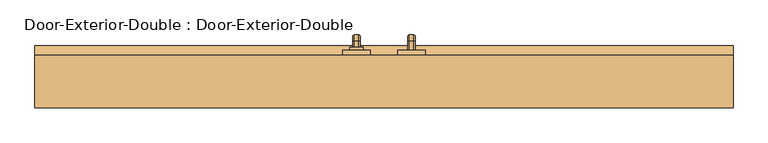
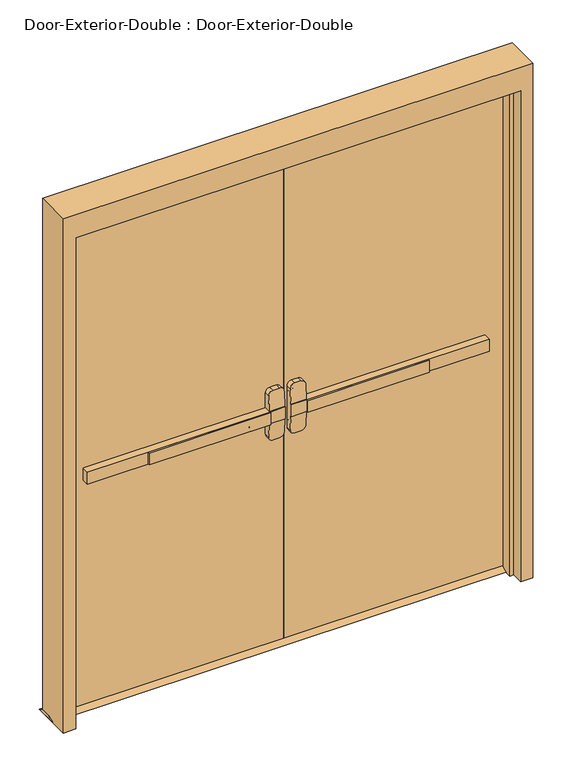
"""IFC4 building model written with IfcOpenShell, lengths in millimetres: door geometry, Door-Exterior-Double : Door-Exterior-Double."""

from ifc_helpers import new_model, si_unit, point, frame, frame_2d, origin, place, context, project, spatial, polyline, circle_curve, ellipse_curve, trimmed, segment, composite_curve, outline, extrude, faceted_brep, source, transform, mapped, element, save
from ifc_brep_helpers import plane_surface, cylinder_surface, revolved_surface, advanced_brep


def door_exterior_double_door_exterior_double_2e0d63db(model_context):
    return source(origin(), model_context, "Body", "SolidModel", [
        extrude(outline(polyline([(-575.7333333, 0.0), (-575.7333333, 6.35), (-76.2, 6.35), (-76.2, 0.0), (-575.7333333, 0.0)])), frame((0.0, 0.0, 990.6), z_axis=(0.0, 0.0, 1.0), x_axis=(1.0, 0.0, 0.0)), (0.0, 0.0, 1.0), 50.8),
        advanced_brep(
        [(-12.7, 6.35, 1041.4), (-76.2, 6.35, 1041.4), (-825.5, 6.35, 1041.4), (-825.5, 6.35, 990.6), (-76.2, 6.35, 990.6), (-12.7, 6.35, 990.6), (-825.5, 38.1, 1041.4), (-76.2, 38.1, 1041.4), (-76.2, 38.1, 1104.9), (-57.15, 38.1, 1123.95), (-31.75, 38.1, 1123.95), (-12.7, 38.1, 1104.9), (-12.7, 38.1, 927.1), (-31.75, 38.1, 908.05), (-57.15, 38.1, 908.05), (-76.2, 38.1, 927.1), (-76.2, 38.1, 990.6), (-825.5, 38.1, 990.6), (-12.7, 9.5252467, 1041.4), (-76.2, 9.5252467, 1041.4), (-12.7, 9.5252467, 990.6), (-12.7, 14.5354269, 927.1), (-12.7, 14.5354269, 1104.9), (-76.2, 9.5252467, 990.6), (-76.2, 14.5354269, 1104.9), (-76.2, 14.5354269, 927.1), (-57.15, 16.038481, 1123.95), (-31.75, 16.038481, 1123.95), (-31.75, 16.038481, 908.05), (-57.15, 16.038481, 908.05)],
        [
            (0, 1),
            (1, 2),
            (2, 3),
            (3, 4),
            (4, 5),
            (5, 0),
            (6, 7),
            (7, 8),
            (8, 9, circle_curve(frame((-57.15, 38.1, 1104.9), z_axis=(0.0, 1.0, 0.0), x_axis=(-1.0, 0.0, 0.0)), 19.05)),
            (9, 10),
            (10, 11, circle_curve(frame((-31.75, 38.1, 1104.9), z_axis=(0.0, 1.0, 0.0), x_axis=(-1.0, 0.0, 0.0)), 19.05)),
            (11, 12),
            (12, 13, circle_curve(frame((-31.75, 38.1, 927.1), z_axis=(0.0, 1.0, 0.0), x_axis=(-1.0, 0.0, 0.0)), 19.05)),
            (13, 14),
            (14, 15, circle_curve(frame((-57.15, 38.1, 927.1), z_axis=(0.0, 1.0, 0.0), x_axis=(-1.0, 0.0, 0.0)), 19.05)),
            (15, 16),
            (16, 17),
            (17, 6),
            (0, 18),
            (18, 19),
            (19, 7),
            (6, 2),
            (5, 20),
            (20, 21),
            (21, 12),
            (11, 22),
            (22, 18),
            (16, 23),
            (23, 20),
            (3, 17),
            (19, 24),
            (24, 8),
            (15, 25),
            (25, 23),
            (9, 26),
            (26, 27),
            (27, 10),
            (13, 28),
            (28, 29),
            (29, 14),
            (29, 25, ellipse_curve(frame((-57.15, 14.5354269, 927.1), z_axis=(0.0, 0.9969018152893365, 0.07865602756830282), x_axis=(0.0, -0.07865602756830208, 0.9969018152893365)), 19.1092038, 19.05)),
            (24, 26, ellipse_curve(frame((-57.15, 14.5354269, 1104.9), z_axis=(0.0, 0.9969018152893376, -0.07865602756828934), x_axis=(0.0, -0.078656027568288, -0.9969018152893377)), 19.1092038, 19.05)),
            (27, 22, ellipse_curve(frame((-31.75, 14.5354269, 1104.9), z_axis=(0.0, 0.9969018152893376, -0.07865602756828934), x_axis=(0.0, -0.078656027568288, -0.9969018152893377)), 19.1092038, 19.05)),
            (21, 28, ellipse_curve(frame((-31.75, 14.5354269, 927.1), z_axis=(0.0, 0.9969018152893365, 0.07865602756830282), x_axis=(0.0, -0.07865602756830208, 0.9969018152893365)), 19.1092038, 19.05)),
        ],
        [
            plane_surface(frame((-12.7, 6.35, 1041.4), z_axis=(0.0, -1.0, 0.0), x_axis=(1.0, 0.0, 0.0))),
            plane_surface(frame((-12.7, 38.1, 1041.4), z_axis=(0.0, 1.0, 0.0), x_axis=(-1.0, 0.0, 0.0))),
            plane_surface(frame((-825.5, 6.35, 1041.4), z_axis=(0.0, 0.0, 1.0), x_axis=(0.0, 1.0, 0.0))),
            plane_surface(frame((-12.7, 6.35, 1041.4), z_axis=(1.0, 0.0, 0.0), x_axis=(0.0, 1.0, 0.0))),
            plane_surface(frame((-12.7, 6.35, 990.6), z_axis=(0.0, 0.0, -1.0), x_axis=(0.0, 1.0, 0.0))),
            plane_surface(frame((-825.5, 6.35, 990.6), z_axis=(-1.0, 0.0, 0.0), x_axis=(0.0, 1.0, 0.0))),
            plane_surface(frame((-76.2, 9.5252467, 927.1), z_axis=(-1.0, 0.0, 0.0), x_axis=(0.0, 1.0, 0.0))),
            plane_surface(frame((-57.15, 9.5252467, 1123.95), z_axis=(0.0, 0.0, 1.0), x_axis=(0.0, 1.0, 0.0))),
            plane_surface(frame((-31.75, 9.5252467, 908.05), z_axis=(0.0, 0.0, -1.0), x_axis=(0.0, 1.0, 0.0))),
            cylinder_surface(frame((-57.15, 38.1, 927.1), z_axis=(0.0, -1.0, 0.0), x_axis=(-1.0, 0.0, 0.0)), 19.05),
            cylinder_surface(frame((-57.15, 38.1, 1104.9), z_axis=(0.0, -1.0, 0.0), x_axis=(-1.0, 0.0, 0.0)), 19.05),
            cylinder_surface(frame((-31.75, 38.1, 1104.9), z_axis=(0.0, -1.0, 0.0), x_axis=(-1.0, 0.0, 0.0)), 19.05),
            cylinder_surface(frame((-31.75, 38.1, 927.1), z_axis=(0.0, -1.0, 0.0), x_axis=(-1.0, 0.0, 0.0)), 19.05),
            plane_surface(frame((-76.2, 9.5252467, 1041.4), z_axis=(0.0, -0.9969018152893376, 0.07865602756828934), x_axis=(1.0, 0.0, 0.0))),
            plane_surface(frame((-76.2, 16.038481, 908.05), z_axis=(0.0, -0.9969018152893365, -0.07865602756830282), x_axis=(1.0, 0.0, 0.0))),
        ],
        [
            (0, [[1, 2, 3, 4, 5, 6]]),
            (1, [[7, 8, 9, 10, 11, 12, 13, 14, 15, 16, 17, 18]]),
            (2, [[-2, -1, 19, 20, 21, -7, 22]]),
            (3, [[23, 24, 25, -12, 26, 27, -19, -6]]),
            (4, [[-17, 28, 29, -23, -5, -4, 30]]),
            (5, [[-22, -18, -30, -3]]),
            (6, [[-21, 31, 32, -8]]),
            (6, [[33, 34, -28, -16]]),
            (7, [[35, 36, 37, -10]]),
            (8, [[38, 39, 40, -14]]),
            (9, [[-40, 41, -33, -15]]),
            (10, [[-32, 42, -35, -9]]),
            (11, [[-37, 43, -26, -11]]),
            (12, [[-25, 44, -38, -13]]),
            (13, [[-27, -43, -36, -42, -31, -20]]),
            (14, [[-29, -34, -41, -39, -44, -24]]),
        ],
    ),
        extrude(outline(polyline([(82.55, 12.7), (107.95, 0.0), (12.7, 0.0), (38.1, 12.7), (82.55, 12.7)])), frame((-965.2, 0.0, 0.0), z_axis=(1.0, 0.0, 0.0), x_axis=(0.0, 1.0, 0.0)), (0.0, 0.0, 1.0), 1930.4),
        extrude(outline(polyline([(575.7333333, 0.0), (76.2, 0.0), (76.2, 6.35), (575.7333333, 6.35), (575.7333333, 0.0)])), frame((0.0, 0.0, 990.6), z_axis=(0.0, 0.0, 1.0), x_axis=(1.0, 0.0, 0.0)), (0.0, 0.0, 1.0), 50.8),
        advanced_brep(
        [(12.7, 6.35, 1041.4), (12.7, 6.35, 990.6), (76.2, 6.35, 990.6), (825.5, 6.35, 990.6), (825.5, 6.35, 1041.4), (76.2, 6.35, 1041.4), (825.5, 38.1, 1041.4), (825.5, 38.1, 990.6), (76.2, 38.1, 990.6), (76.2, 38.1, 927.1), (57.15, 38.1, 908.05), (31.75, 38.1, 908.05), (12.7, 38.1, 927.1), (12.7, 38.1, 1104.9), (31.75, 38.1, 1123.95), (57.15, 38.1, 1123.95), (76.2, 38.1, 1104.9), (76.2, 38.1, 1041.4), (76.2, 9.5252467, 1041.4), (12.7, 9.5252467, 1041.4), (12.7, 14.5354269, 1104.9), (12.7, 14.5354269, 927.1), (12.7, 9.5252467, 990.6), (76.2, 9.5252467, 990.6), (76.2, 14.5354269, 927.1), (76.2, 14.5354269, 1104.9), (31.75, 16.038481, 1123.95), (57.15, 16.038481, 1123.95), (57.15, 16.038481, 908.05), (31.75, 16.038481, 908.05)],
        [
            (0, 1),
            (1, 2),
            (2, 3),
            (3, 4),
            (4, 5),
            (5, 0),
            (6, 7),
            (7, 8),
            (8, 9),
            (9, 10, circle_curve(frame((57.15, 38.1, 927.1), z_axis=(0.0, 1.0, 0.0), x_axis=(1.0, 0.0, 0.0)), 19.05)),
            (10, 11),
            (11, 12, circle_curve(frame((31.75, 38.1, 927.1), z_axis=(0.0, 1.0, 0.0), x_axis=(1.0, 0.0, 0.0)), 19.05)),
            (12, 13),
            (13, 14, circle_curve(frame((31.75, 38.1, 1104.9), z_axis=(0.0, 1.0, 0.0), x_axis=(1.0, 0.0, 0.0)), 19.05)),
            (14, 15),
            (15, 16, circle_curve(frame((57.15, 38.1, 1104.9), z_axis=(0.0, 1.0, 0.0), x_axis=(1.0, 0.0, 0.0)), 19.05)),
            (16, 17),
            (17, 6),
            (4, 6),
            (17, 18),
            (18, 19),
            (19, 0),
            (19, 20),
            (20, 13),
            (12, 21),
            (21, 22),
            (22, 1),
            (7, 3),
            (22, 23),
            (23, 8),
            (23, 24),
            (24, 9),
            (16, 25),
            (25, 18),
            (14, 26),
            (26, 27),
            (27, 15),
            (10, 28),
            (28, 29),
            (29, 11),
            (24, 28, ellipse_curve(frame((57.15, 14.5354269, 927.1), z_axis=(0.0, 0.9969018152893365, 0.07865602756830282), x_axis=(0.0, -0.07865602756830208, 0.9969018152893365)), 19.1092038, 19.05)),
            (27, 25, ellipse_curve(frame((57.15, 14.5354269, 1104.9), z_axis=(0.0, 0.9969018152893376, -0.07865602756828934), x_axis=(0.0, -0.078656027568288, -0.9969018152893377)), 19.1092038, 19.05)),
            (20, 26, ellipse_curve(frame((31.75, 14.5354269, 1104.9), z_axis=(0.0, 0.9969018152893376, -0.07865602756828934), x_axis=(0.0, -0.078656027568288, -0.9969018152893377)), 19.1092038, 19.05)),
            (29, 21, ellipse_curve(frame((31.75, 14.5354269, 927.1), z_axis=(0.0, 0.9969018152893365, 0.07865602756830282), x_axis=(0.0, -0.07865602756830208, 0.9969018152893365)), 19.1092038, 19.05)),
        ],
        [
            plane_surface(frame((12.7, 6.35, 1041.4), z_axis=(0.0, -1.0, 0.0), x_axis=(-1.0, 0.0, 0.0))),
            plane_surface(frame((12.7, 38.1, 1041.4), z_axis=(0.0, 1.0, 0.0), x_axis=(1.0, 0.0, 0.0))),
            plane_surface(frame((825.5, 6.35, 1041.4), z_axis=(0.0, 0.0, 1.0), x_axis=(0.0, 1.0, 0.0))),
            plane_surface(frame((12.7, 6.35, 1041.4), z_axis=(-1.0, 0.0, 0.0), x_axis=(0.0, 1.0, 0.0))),
            plane_surface(frame((12.7, 6.35, 990.6), z_axis=(0.0, 0.0, -1.0), x_axis=(0.0, 1.0, 0.0))),
            plane_surface(frame((825.5, 6.35, 990.6), z_axis=(1.0, 0.0, 0.0), x_axis=(0.0, 1.0, 0.0))),
            plane_surface(frame((76.2, 9.5252467, 927.1), z_axis=(1.0, 0.0, 0.0), x_axis=(0.0, 1.0, 0.0))),
            plane_surface(frame((57.15, 9.5252467, 1123.95), z_axis=(0.0, 0.0, 1.0), x_axis=(0.0, 1.0, 0.0))),
            plane_surface(frame((31.75, 9.5252467, 908.05), z_axis=(0.0, 0.0, -1.0), x_axis=(0.0, 1.0, 0.0))),
            cylinder_surface(frame((57.15, 38.1, 927.1), z_axis=(0.0, -1.0, 0.0), x_axis=(1.0, 0.0, 0.0)), 19.05),
            cylinder_surface(frame((57.15, 38.1, 1104.9), z_axis=(0.0, -1.0, 0.0), x_axis=(1.0, 0.0, 0.0)), 19.05),
            cylinder_surface(frame((31.75, 38.1, 1104.9), z_axis=(0.0, -1.0, 0.0), x_axis=(1.0, 0.0, 0.0)), 19.05),
            cylinder_surface(frame((31.75, 38.1, 927.1), z_axis=(0.0, -1.0, 0.0), x_axis=(1.0, 0.0, 0.0)), 19.05),
            plane_surface(frame((76.2, 9.5252467, 1041.4), z_axis=(0.0, -0.9969018152893376, 0.07865602756828934), x_axis=(-1.0, 0.0, 0.0))),
            plane_surface(frame((76.2, 16.038481, 908.05), z_axis=(0.0, -0.9969018152893365, -0.07865602756830282), x_axis=(-1.0, 0.0, 0.0))),
        ],
        [
            (0, [[1, 2, 3, 4, 5, 6]]),
            (1, [[7, 8, 9, 10, 11, 12, 13, 14, 15, 16, 17, 18]]),
            (2, [[19, -18, 20, 21, 22, -6, -5]]),
            (3, [[-1, -22, 23, 24, -13, 25, 26, 27]]),
            (4, [[28, -3, -2, -27, 29, 30, -8]]),
            (5, [[-4, -28, -7, -19]]),
            (6, [[-9, -30, 31, 32]]),
            (6, [[-17, 33, 34, -20]]),
            (7, [[-15, 35, 36, 37]]),
            (8, [[-11, 38, 39, 40]]),
            (9, [[-10, -32, 41, -38]]),
            (10, [[-16, -37, 42, -33]]),
            (11, [[-14, -24, 43, -35]]),
            (12, [[-12, -40, 44, -25]]),
            (13, [[-21, -34, -42, -36, -43, -23]]),
            (14, [[-26, -44, -39, -41, -31, -29]]),
        ],
    ),
        advanced_brep(
        [(66.2, 95.25, 1017.190625), (66.2, 95.25, 1014.809375), (69.771875, 95.25, 1011.2375), (82.6284594, 95.25, 1011.2375), (86.2, 95.25, 1014.8090406), (86.2, 95.25, 1017.190625), (82.628125, 95.25, 1020.7625), (69.771875, 95.25, 1020.7625), (66.2, 95.25, 887.809375), (69.771875, 95.25, 884.2375), (82.628125, 95.25, 884.2375), (86.2, 95.25, 887.809375), (86.2, 95.25, 890.1909594), (82.6284594, 95.25, 893.7625), (69.771875, 95.25, 893.7625), (66.2, 95.25, 890.190625), (66.2, 120.65, 1017.190625), (66.2, 134.540625, 1003.3), (66.2, 134.540625, 901.7), (66.2, 120.65, 887.809375), (66.2, 120.65, 890.190625), (66.2, 132.159375, 901.7), (66.2, 132.159375, 1003.3), (66.2, 120.65, 1014.809375), (69.771875, 120.65, 1011.2375), (82.6284594, 120.65, 1011.2375), (86.2, 120.65, 1014.8090406), (86.2, 132.1590406, 1003.3), (86.2, 132.1590406, 901.7), (86.2, 120.65, 890.1909594), (86.2, 120.65, 887.809375), (86.2, 134.540625, 901.7), (86.2, 134.540625, 1003.3), (86.2, 120.65, 1017.190625), (82.628125, 120.65, 1020.7625), (69.771875, 120.65, 1020.7625), (69.771875, 128.5875, 1003.3), (82.6284594, 128.5875, 1003.3), (82.628125, 138.1125, 1003.3), (69.771875, 138.1125, 1003.3), (69.771875, 128.5875, 901.7), (82.6284594, 128.5875, 901.7), (82.628125, 138.1125, 901.7), (69.771875, 138.1125, 901.7), (69.771875, 120.65, 893.7625), (82.6284594, 120.65, 893.7625), (82.628125, 120.65, 884.2375), (69.771875, 120.65, 884.2375)],
        [
            (0, 1),
            (1, 2, circle_curve(frame((69.771875, 95.25, 1014.809375), z_axis=(0.0, -1.0, 0.0), x_axis=(0.0, 0.0, 1.0)), 3.571875)),
            (2, 3),
            (3, 4, circle_curve(frame((82.6284594, 95.25, 1014.8090406), z_axis=(0.0, -1.0, 0.0), x_axis=(0.0, 0.0, 1.0)), 3.5715406)),
            (4, 5),
            (5, 6, circle_curve(frame((82.628125, 95.25, 1017.190625), z_axis=(0.0, -1.0, 0.0), x_axis=(0.0, 0.0, 1.0)), 3.571875)),
            (6, 7),
            (7, 0, circle_curve(frame((69.771875, 95.25, 1017.190625), z_axis=(0.0, -1.0, 0.0), x_axis=(0.0, 0.0, 1.0)), 3.571875)),
            (8, 9, circle_curve(frame((69.771875, 95.25, 887.809375), z_axis=(0.0, -1.0, 0.0), x_axis=(0.0, 0.0, -1.0)), 3.571875)),
            (9, 10),
            (10, 11, circle_curve(frame((82.628125, 95.25, 887.809375), z_axis=(0.0, -1.0, 0.0), x_axis=(0.0, 0.0, -1.0)), 3.571875)),
            (11, 12),
            (12, 13, circle_curve(frame((82.6284594, 95.25, 890.1909594), z_axis=(0.0, -1.0, 0.0), x_axis=(0.0, 0.0, -1.0)), 3.5715406)),
            (13, 14),
            (14, 15, circle_curve(frame((69.771875, 95.25, 890.190625), z_axis=(0.0, -1.0, 0.0), x_axis=(0.0, 0.0, -1.0)), 3.571875)),
            (15, 8),
            (0, 16),
            (16, 17, circle_curve(frame((66.2, 120.65, 1003.3), z_axis=(-1.0, 0.0, 0.0), x_axis=(0.0, 0.0, 1.0)), 13.890625)),
            (17, 18),
            (18, 19, circle_curve(frame((66.2, 120.65, 901.7), z_axis=(-1.0, 0.0, 0.0), x_axis=(0.0, 1.0, 0.0)), 13.890625)),
            (19, 8),
            (15, 20),
            (20, 21, circle_curve(frame((66.2, 120.65, 901.7), z_axis=(1.0, 0.0, 0.0), x_axis=(0.0, 1.0, 0.0)), 11.509375)),
            (21, 22),
            (22, 23, circle_curve(frame((66.2, 120.65, 1003.3), z_axis=(1.0, 0.0, 0.0), x_axis=(0.0, 0.0, 1.0)), 11.509375)),
            (23, 1),
            (23, 24, circle_curve(frame((69.771875, 120.65, 1014.809375), z_axis=(0.0, -1.0, 0.0), x_axis=(0.0, 0.0, 1.0)), 3.571875)),
            (24, 2),
            (24, 25),
            (25, 3),
            (25, 26, circle_curve(frame((82.6284594, 120.65, 1014.8090406), z_axis=(0.0, -1.0, 0.0), x_axis=(0.0, 0.0, 1.0)), 3.5715406)),
            (26, 4),
            (26, 27, circle_curve(frame((86.2, 120.65, 1003.3), z_axis=(-1.0, 0.0, 0.0), x_axis=(0.0, 0.0, 1.0)), 11.5090406)),
            (27, 28),
            (28, 29, circle_curve(frame((86.2, 120.65, 901.7), z_axis=(-1.0, 0.0, 0.0), x_axis=(0.0, 1.0, 0.0)), 11.5090406)),
            (29, 12),
            (11, 30),
            (30, 31, circle_curve(frame((86.2, 120.65, 901.7), z_axis=(1.0, 0.0, 0.0), x_axis=(0.0, 1.0, 0.0)), 13.890625)),
            (31, 32),
            (32, 33, circle_curve(frame((86.2, 120.65, 1003.3), z_axis=(1.0, 0.0, 0.0), x_axis=(0.0, 0.0, 1.0)), 13.890625)),
            (33, 5),
            (33, 34, circle_curve(frame((82.628125, 120.65, 1017.190625), z_axis=(0.0, -1.0, 0.0), x_axis=(0.0, 0.0, 1.0)), 3.571875)),
            (34, 6),
            (34, 35),
            (35, 7),
            (35, 16, circle_curve(frame((69.771875, 120.65, 1017.190625), z_axis=(0.0, -1.0, 0.0), x_axis=(0.0, 0.0, 1.0)), 3.571875)),
            (36, 24, circle_curve(frame((69.771875, 120.65, 1003.3), z_axis=(1.0, 0.0, 0.0), x_axis=(0.0, 0.0, 1.0)), 7.9375)),
            (22, 36, circle_curve(frame((69.771875, 132.159375, 1003.3), z_axis=(0.0, 0.0, 1.0), x_axis=(0.0, 1.0, 0.0)), 3.571875)),
            (37, 25, circle_curve(frame((82.6284594, 120.65, 1003.3), z_axis=(1.0, 0.0, 0.0), x_axis=(0.0, 0.0, 1.0)), 7.9375)),
            (36, 37),
            (37, 27, circle_curve(frame((82.6284594, 132.1590406, 1003.3), z_axis=(0.0, 0.0, 1.0), x_axis=(0.0, 1.0, 0.0)), 3.5715406)),
            (38, 34, circle_curve(frame((82.628125, 120.65, 1003.3), z_axis=(1.0, 0.0, 0.0), x_axis=(0.0, 0.0, 1.0)), 17.4625)),
            (32, 38, circle_curve(frame((82.628125, 134.540625, 1003.3), z_axis=(0.0, 0.0, 1.0), x_axis=(0.0, 1.0, 0.0)), 3.571875)),
            (39, 35, circle_curve(frame((69.771875, 120.65, 1003.3), z_axis=(1.0, 0.0, 0.0), x_axis=(0.0, 0.0, 1.0)), 17.4625)),
            (38, 39),
            (39, 17, circle_curve(frame((69.771875, 134.540625, 1003.3), z_axis=(0.0, 0.0, 1.0), x_axis=(0.0, 1.0, 0.0)), 3.571875)),
            (21, 40, circle_curve(frame((69.771875, 132.159375, 901.7), z_axis=(0.0, 0.0, 1.0), x_axis=(0.0, 1.0, 0.0)), 3.571875)),
            (40, 36),
            (40, 41),
            (41, 37),
            (41, 28, circle_curve(frame((82.6284594, 132.1590406, 901.7), z_axis=(0.0, 0.0, 1.0), x_axis=(0.0, 1.0, 0.0)), 3.5715406)),
            (31, 42, circle_curve(frame((82.628125, 134.540625, 901.7), z_axis=(0.0, 0.0, 1.0), x_axis=(0.0, 1.0, 0.0)), 3.571875)),
            (42, 38),
            (42, 43),
            (43, 39),
            (43, 18, circle_curve(frame((69.771875, 134.540625, 901.7), z_axis=(0.0, 0.0, 1.0), x_axis=(0.0, 1.0, 0.0)), 3.571875)),
            (44, 40, circle_curve(frame((69.771875, 120.65, 901.7), z_axis=(1.0, 0.0, 0.0), x_axis=(0.0, 1.0, 0.0)), 7.9375)),
            (20, 44, circle_curve(frame((69.771875, 120.65, 890.190625), z_axis=(0.0, 1.0, 0.0), x_axis=(0.0, 0.0, -1.0)), 3.571875)),
            (45, 41, circle_curve(frame((82.6284594, 120.65, 901.7), z_axis=(1.0, 0.0, 0.0), x_axis=(0.0, 1.0, 0.0)), 7.9375)),
            (44, 45),
            (45, 29, circle_curve(frame((82.6284594, 120.65, 890.1909594), z_axis=(0.0, 1.0, 0.0), x_axis=(0.0, 0.0, -1.0)), 3.5715406)),
            (46, 42, circle_curve(frame((82.628125, 120.65, 901.7), z_axis=(1.0, 0.0, 0.0), x_axis=(0.0, 1.0, 0.0)), 17.4625)),
            (30, 46, circle_curve(frame((82.628125, 120.65, 887.809375), z_axis=(0.0, 1.0, 0.0), x_axis=(0.0, 0.0, -1.0)), 3.571875)),
            (47, 43, circle_curve(frame((69.771875, 120.65, 901.7), z_axis=(1.0, 0.0, 0.0), x_axis=(0.0, 1.0, 0.0)), 17.4625)),
            (46, 47),
            (47, 19, circle_curve(frame((69.771875, 120.65, 887.809375), z_axis=(0.0, 1.0, 0.0), x_axis=(0.0, 0.0, -1.0)), 3.571875)),
            (14, 44),
            (13, 45),
            (10, 46),
            (9, 47),
        ],
        [
            plane_surface(frame((76.2, 95.25, 1016.0), z_axis=(0.0, -1.0, 0.0), x_axis=(1.0, 0.0, 0.0))),
            plane_surface(frame((76.2, 95.25, 889.0), z_axis=(0.0, -1.0, 0.0), x_axis=(1.0, 0.0, 0.0))),
            plane_surface(frame((66.2, 95.25, 1017.190625), z_axis=(-1.0, 0.0, 0.0), x_axis=(0.0, 1.0, 0.0))),
            cylinder_surface(frame((69.771875, 95.25, 1014.809375), z_axis=(0.0, -1.0, 0.0), x_axis=(0.0, 0.0, 1.0)), 3.571875),
            plane_surface(frame((69.771875, 95.25, 1011.2375), z_axis=(0.0, 0.0, -1.0), x_axis=(0.0, 1.0, 0.0))),
            cylinder_surface(frame((82.6284594, 95.25, 1014.8090406), z_axis=(0.0, -1.0, 0.0), x_axis=(0.0, 0.0, 1.0)), 3.5715406),
            plane_surface(frame((86.2, 95.25, 1014.8090406), z_axis=(1.0, 0.0, 0.0), x_axis=(0.0, 1.0, 0.0))),
            cylinder_surface(frame((82.628125, 95.25, 1017.190625), z_axis=(0.0, -1.0, 0.0), x_axis=(0.0, 0.0, 1.0)), 3.571875),
            plane_surface(frame((82.628125, 95.25, 1020.7625), z_axis=(0.0, 0.0, 1.0), x_axis=(0.0, 1.0, 0.0))),
            cylinder_surface(frame((69.771875, 95.25, 1017.190625), z_axis=(0.0, -1.0, 0.0), x_axis=(0.0, 0.0, 1.0)), 3.571875),
            revolved_surface(trimmed(ellipse_curve(frame((69.771875, 120.65, 1014.809375), z_axis=(0.0, -1.0, 0.0), x_axis=(0.0, 0.0, 1.0)), 3.571875, 3.571875), [point((66.2, 120.65, 1014.809375))], [point((69.771875, 120.65, 1011.2375))], True, "CARTESIAN"), (76.2, 120.65, 1003.3), (-1.0, 0.0, 0.0)),
            revolved_surface(polyline([(69.771875, 120.65, 1011.2375), (82.6284594, 120.65, 1011.2375)]), (76.2, 120.65, 1003.3), (-1.0, 0.0, 0.0)),
            revolved_surface(trimmed(ellipse_curve(frame((82.6284594, 120.65, 1014.8090406), z_axis=(0.0, -1.0, 0.0), x_axis=(0.0, 0.0, 1.0)), 3.5715406, 3.5715406), [point((82.6284594, 120.65, 1011.2375))], [point((86.2, 120.65, 1014.8090406))], True, "CARTESIAN"), (76.2, 120.65, 1003.3), (-1.0, 0.0, 0.0)),
            revolved_surface(trimmed(ellipse_curve(frame((82.628125, 120.65, 1017.190625), z_axis=(0.0, -1.0, 0.0), x_axis=(0.0, 0.0, 1.0)), 3.571875, 3.571875), [point((86.2, 120.65, 1017.190625))], [point((82.628125, 120.65, 1020.7625))], True, "CARTESIAN"), (76.2, 120.65, 1003.3), (-1.0, 0.0, 0.0)),
            cylinder_surface(frame((76.2, 120.65, 1003.3), z_axis=(-1.0, 0.0, 0.0), x_axis=(0.0, 0.0, 1.0)), 17.4625),
            revolved_surface(trimmed(ellipse_curve(frame((69.771875, 120.65, 1017.190625), z_axis=(0.0, -1.0, 0.0), x_axis=(0.0, 0.0, 1.0)), 3.571875, 3.571875), [point((69.771875, 120.65, 1020.7625))], [point((66.2, 120.65, 1017.190625))], True, "CARTESIAN"), (76.2, 120.65, 1003.3), (-1.0, 0.0, 0.0)),
            cylinder_surface(frame((69.771875, 132.159375, 1003.3), z_axis=(0.0, 0.0, 1.0), x_axis=(0.0, 1.0, 0.0)), 3.571875),
            plane_surface(frame((69.771875, 128.5875, 1003.3), z_axis=(0.0, -1.0, 0.0), x_axis=(0.0, 0.0, -1.0))),
            cylinder_surface(frame((82.6284594, 132.1590406, 1003.3), z_axis=(0.0, 0.0, 1.0), x_axis=(0.0, 1.0, 0.0)), 3.5715406),
            cylinder_surface(frame((82.628125, 134.540625, 1003.3), z_axis=(0.0, 0.0, 1.0), x_axis=(0.0, 1.0, 0.0)), 3.571875),
            plane_surface(frame((82.628125, 138.1125, 1003.3), z_axis=(0.0, 1.0, 0.0), x_axis=(0.0, 0.0, -1.0))),
            cylinder_surface(frame((69.771875, 134.540625, 1003.3), z_axis=(0.0, 0.0, 1.0), x_axis=(0.0, 1.0, 0.0)), 3.571875),
            revolved_surface(trimmed(ellipse_curve(frame((69.771875, 132.159375, 901.7), z_axis=(0.0, 0.0, 1.0), x_axis=(0.0, 1.0, 0.0)), 3.571875, 3.571875), [point((66.2, 132.159375, 901.7))], [point((69.771875, 128.5875, 901.7))], True, "CARTESIAN"), (76.2, 120.65, 901.7), (-1.0, 0.0, 0.0)),
            revolved_surface(polyline([(69.771875, 128.5875, 901.7), (82.6284594, 128.5875, 901.7)]), (76.2, 120.65, 901.7), (-1.0, 0.0, 0.0)),
            revolved_surface(trimmed(ellipse_curve(frame((82.6284594, 132.1590406, 901.7), z_axis=(0.0, 0.0, 1.0), x_axis=(0.0, 1.0, 0.0)), 3.5715406, 3.5715406), [point((82.6284594, 128.5875, 901.7))], [point((86.2, 132.1590406, 901.7))], True, "CARTESIAN"), (76.2, 120.65, 901.7), (-1.0, 0.0, 0.0)),
            revolved_surface(trimmed(ellipse_curve(frame((82.628125, 134.540625, 901.7), z_axis=(0.0, 0.0, 1.0), x_axis=(0.0, 1.0, 0.0)), 3.571875, 3.571875), [point((86.2, 134.540625, 901.7))], [point((82.628125, 138.1125, 901.7))], True, "CARTESIAN"), (76.2, 120.65, 901.7), (-1.0, 0.0, 0.0)),
            cylinder_surface(frame((76.2, 120.65, 901.7), z_axis=(-1.0, 0.0, 0.0), x_axis=(0.0, 1.0, 0.0)), 17.4625),
            revolved_surface(trimmed(ellipse_curve(frame((69.771875, 134.540625, 901.7), z_axis=(0.0, 0.0, 1.0), x_axis=(0.0, 1.0, 0.0)), 3.571875, 3.571875), [point((69.771875, 138.1125, 901.7))], [point((66.2, 134.540625, 901.7))], True, "CARTESIAN"), (76.2, 120.65, 901.7), (-1.0, 0.0, 0.0)),
            cylinder_surface(frame((69.771875, 120.65, 890.190625), z_axis=(0.0, 1.0, 0.0), x_axis=(0.0, 0.0, -1.0)), 3.571875),
            plane_surface(frame((69.771875, 120.65, 893.7625), z_axis=(0.0, 0.0, 1.0), x_axis=(0.0, -1.0, 0.0))),
            cylinder_surface(frame((82.6284594, 120.65, 890.1909594), z_axis=(0.0, 1.0, 0.0), x_axis=(0.0, 0.0, -1.0)), 3.5715406),
            cylinder_surface(frame((82.628125, 120.65, 887.809375), z_axis=(0.0, 1.0, 0.0), x_axis=(0.0, 0.0, -1.0)), 3.571875),
            plane_surface(frame((82.628125, 120.65, 884.2375), z_axis=(0.0, 0.0, -1.0), x_axis=(0.0, -1.0, 0.0))),
            cylinder_surface(frame((69.771875, 120.65, 887.809375), z_axis=(0.0, 1.0, 0.0), x_axis=(0.0, 0.0, -1.0)), 3.571875),
        ],
        [
            (0, [[1, 2, 3, 4, 5, 6, 7, 8]]),
            (1, [[9, 10, 11, 12, 13, 14, 15, 16]]),
            (2, [[-1, 17, 18, 19, 20, 21, -16, 22, 23, 24, 25, 26]]),
            (3, [[-2, -26, 27, 28]]),
            (4, [[-3, -28, 29, 30]]),
            (5, [[-4, -30, 31, 32]]),
            (6, [[-5, -32, 33, 34, 35, 36, -12, 37, 38, 39, 40, 41]]),
            (7, [[-6, -41, 42, 43]]),
            (8, [[-7, -43, 44, 45]]),
            (9, [[-8, -45, 46, -17]]),
            (10, [[47, -27, -25, 48]]),
            (11, [[49, -29, -47, 50]]),
            (12, [[-33, -31, -49, 51]]),
            (13, [[52, -42, -40, 53]]),
            (14, [[54, -44, -52, 55]]),
            (15, [[-18, -46, -54, 56]]),
            (16, [[-48, -24, 57, 58]]),
            (17, [[-50, -58, 59, 60]]),
            (18, [[-51, -60, 61, -34]]),
            (19, [[-53, -39, 62, 63]]),
            (20, [[-55, -63, 64, 65]]),
            (21, [[-56, -65, 66, -19]]),
            (22, [[67, -57, -23, 68]]),
            (23, [[69, -59, -67, 70]]),
            (24, [[-35, -61, -69, 71]]),
            (25, [[72, -62, -38, 73]]),
            (26, [[74, -64, -72, 75]]),
            (27, [[-20, -66, -74, 76]]),
            (28, [[-68, -22, -15, 77]]),
            (29, [[-70, -77, -14, 78]]),
            (30, [[-71, -78, -13, -36]]),
            (31, [[-73, -37, -11, 79]]),
            (32, [[-75, -79, -10, 80]]),
            (33, [[-76, -80, -9, -21]]),
        ],
    ),
        extrude(outline(composite_curve([segment(trimmed(circle_curve(frame_2d((1113.0338574, 76.2)), 89.3016225), [point((1193.8, 114.3))], [point((1193.8, 38.1))], False, "CARTESIAN"), True, "CONTINUOUS"), segment(polyline([(1193.8, 38.1), (838.2, 38.1)]), True, "CONTINUOUS"), segment(trimmed(circle_curve(frame_2d((918.9661426, 76.2)), 89.3016225), [point((838.2, 38.1))], [point((838.2, 114.3))], False, "CARTESIAN"), True, "CONTINUOUS"), segment(polyline([(838.2, 114.3), (1193.8, 114.3)]), True, "CONTINUOUS")], self_intersect=False)), frame((0.0, 82.55, 0.0), z_axis=(0.0, 1.0, 0.0), x_axis=(0.0, 0.0, 1.0)), (0.0, 0.0, 1.0), 12.7),
        advanced_brep(
        [(-86.2, 95.25, 1017.190625), (-86.2, 95.25, 1014.809375), (-82.628125, 95.25, 1011.2375), (-69.7715406, 95.25, 1011.2375), (-66.2, 95.25, 1014.8090406), (-66.2, 95.25, 1017.190625), (-69.771875, 95.25, 1020.7625), (-82.628125, 95.25, 1020.7625), (-86.2, 95.25, 887.809375), (-82.628125, 95.25, 884.2375), (-69.771875, 95.25, 884.2375), (-66.2, 95.25, 887.809375), (-66.2, 95.25, 890.1909594), (-69.7715406, 95.25, 893.7625), (-82.628125, 95.25, 893.7625), (-86.2, 95.25, 890.190625), (-86.2, 120.65, 1017.190625), (-86.2, 134.540625, 1003.3), (-86.2, 134.540625, 901.7), (-86.2, 120.65, 887.809375), (-86.2, 120.65, 890.190625), (-86.2, 132.159375, 901.7), (-86.2, 132.159375, 1003.3), (-86.2, 120.65, 1014.809375), (-82.628125, 120.65, 1011.2375), (-69.7715406, 120.65, 1011.2375), (-66.2, 120.65, 1014.8090406), (-66.2, 132.1590406, 1003.3), (-66.2, 132.1590406, 901.7), (-66.2, 120.65, 890.1909594), (-66.2, 120.65, 887.809375), (-66.2, 134.540625, 901.7), (-66.2, 134.540625, 1003.3), (-66.2, 120.65, 1017.190625), (-69.771875, 120.65, 1020.7625), (-82.628125, 120.65, 1020.7625), (-82.628125, 128.5875, 1003.3), (-69.7715406, 128.5875, 1003.3), (-69.771875, 138.1125, 1003.3), (-82.628125, 138.1125, 1003.3), (-82.628125, 128.5875, 901.7), (-69.7715406, 128.5875, 901.7), (-69.771875, 138.1125, 901.7), (-82.628125, 138.1125, 901.7), (-82.628125, 120.65, 893.7625), (-69.7715406, 120.65, 893.7625), (-69.771875, 120.65, 884.2375), (-82.628125, 120.65, 884.2375)],
        [
            (0, 1),
            (1, 2, circle_curve(frame((-82.628125, 95.25, 1014.809375), z_axis=(0.0, -1.0, 0.0), x_axis=(0.0, 0.0, 1.0)), 3.571875)),
            (2, 3),
            (3, 4, circle_curve(frame((-69.7715406, 95.25, 1014.8090406), z_axis=(0.0, -1.0, 0.0), x_axis=(0.0, 0.0, 1.0)), 3.5715406)),
            (4, 5),
            (5, 6, circle_curve(frame((-69.771875, 95.25, 1017.190625), z_axis=(0.0, -1.0, 0.0), x_axis=(0.0, 0.0, 1.0)), 3.571875)),
            (6, 7),
            (7, 0, circle_curve(frame((-82.628125, 95.25, 1017.190625), z_axis=(0.0, -1.0, 0.0), x_axis=(0.0, 0.0, 1.0)), 3.571875)),
            (8, 9, circle_curve(frame((-82.628125, 95.25, 887.809375), z_axis=(0.0, -1.0, 0.0), x_axis=(0.0, 0.0, -1.0)), 3.571875)),
            (9, 10),
            (10, 11, circle_curve(frame((-69.771875, 95.25, 887.809375), z_axis=(0.0, -1.0, 0.0), x_axis=(0.0, 0.0, -1.0)), 3.571875)),
            (11, 12),
            (12, 13, circle_curve(frame((-69.7715406, 95.25, 890.1909594), z_axis=(0.0, -1.0, 0.0), x_axis=(0.0, 0.0, -1.0)), 3.5715406)),
            (13, 14),
            (14, 15, circle_curve(frame((-82.628125, 95.25, 890.190625), z_axis=(0.0, -1.0, 0.0), x_axis=(0.0, 0.0, -1.0)), 3.571875)),
            (15, 8),
            (0, 16),
            (16, 17, circle_curve(frame((-86.2, 120.65, 1003.3), z_axis=(-1.0, 0.0, 0.0), x_axis=(0.0, 0.0, 1.0)), 13.890625)),
            (17, 18),
            (18, 19, circle_curve(frame((-86.2, 120.65, 901.7), z_axis=(-1.0, 0.0, 0.0), x_axis=(0.0, 1.0, 0.0)), 13.890625)),
            (19, 8),
            (15, 20),
            (20, 21, circle_curve(frame((-86.2, 120.65, 901.7), z_axis=(1.0, 0.0, 0.0), x_axis=(0.0, 1.0, 0.0)), 11.509375)),
            (21, 22),
            (22, 23, circle_curve(frame((-86.2, 120.65, 1003.3), z_axis=(1.0, 0.0, 0.0), x_axis=(0.0, 0.0, 1.0)), 11.509375)),
            (23, 1),
            (23, 24, circle_curve(frame((-82.628125, 120.65, 1014.809375), z_axis=(0.0, -1.0, 0.0), x_axis=(0.0, 0.0, 1.0)), 3.571875)),
            (24, 2),
            (24, 25),
            (25, 3),
            (25, 26, circle_curve(frame((-69.7715406, 120.65, 1014.8090406), z_axis=(0.0, -1.0, 0.0), x_axis=(0.0, 0.0, 1.0)), 3.5715406)),
            (26, 4),
            (26, 27, circle_curve(frame((-66.2, 120.65, 1003.3), z_axis=(-1.0, 0.0, 0.0), x_axis=(0.0, 0.0, 1.0)), 11.5090406)),
            (27, 28),
            (28, 29, circle_curve(frame((-66.2, 120.65, 901.7), z_axis=(-1.0, 0.0, 0.0), x_axis=(0.0, 1.0, 0.0)), 11.5090406)),
            (29, 12),
            (11, 30),
            (30, 31, circle_curve(frame((-66.2, 120.65, 901.7), z_axis=(1.0, 0.0, 0.0), x_axis=(0.0, 1.0, 0.0)), 13.890625)),
            (31, 32),
            (32, 33, circle_curve(frame((-66.2, 120.65, 1003.3), z_axis=(1.0, 0.0, 0.0), x_axis=(0.0, 0.0, 1.0)), 13.890625)),
            (33, 5),
            (33, 34, circle_curve(frame((-69.771875, 120.65, 1017.190625), z_axis=(0.0, -1.0, 0.0), x_axis=(0.0, 0.0, 1.0)), 3.571875)),
            (34, 6),
            (34, 35),
            (35, 7),
            (35, 16, circle_curve(frame((-82.628125, 120.65, 1017.190625), z_axis=(0.0, -1.0, 0.0), x_axis=(0.0, 0.0, 1.0)), 3.571875)),
            (36, 24, circle_curve(frame((-82.628125, 120.65, 1003.3), z_axis=(1.0, 0.0, 0.0), x_axis=(0.0, 0.0, 1.0)), 7.9375)),
            (22, 36, circle_curve(frame((-82.628125, 132.159375, 1003.3), z_axis=(0.0, 0.0, 1.0), x_axis=(0.0, 1.0, 0.0)), 3.571875)),
            (37, 25, circle_curve(frame((-69.7715406, 120.65, 1003.3), z_axis=(1.0, 0.0, 0.0), x_axis=(0.0, 0.0, 1.0)), 7.9375)),
            (36, 37),
            (37, 27, circle_curve(frame((-69.7715406, 132.1590406, 1003.3), z_axis=(0.0, 0.0, 1.0), x_axis=(0.0, 1.0, 0.0)), 3.5715406)),
            (38, 34, circle_curve(frame((-69.771875, 120.65, 1003.3), z_axis=(1.0, 0.0, 0.0), x_axis=(0.0, 0.0, 1.0)), 17.4625)),
            (32, 38, circle_curve(frame((-69.771875, 134.540625, 1003.3), z_axis=(0.0, 0.0, 1.0), x_axis=(0.0, 1.0, 0.0)), 3.571875)),
            (39, 35, circle_curve(frame((-82.628125, 120.65, 1003.3), z_axis=(1.0, 0.0, 0.0), x_axis=(0.0, 0.0, 1.0)), 17.4625)),
            (38, 39),
            (39, 17, circle_curve(frame((-82.628125, 134.540625, 1003.3), z_axis=(0.0, 0.0, 1.0), x_axis=(0.0, 1.0, 0.0)), 3.571875)),
            (21, 40, circle_curve(frame((-82.628125, 132.159375, 901.7), z_axis=(0.0, 0.0, 1.0), x_axis=(0.0, 1.0, 0.0)), 3.571875)),
            (40, 36),
            (40, 41),
            (41, 37),
            (41, 28, circle_curve(frame((-69.7715406, 132.1590406, 901.7), z_axis=(0.0, 0.0, 1.0), x_axis=(0.0, 1.0, 0.0)), 3.5715406)),
            (31, 42, circle_curve(frame((-69.771875, 134.540625, 901.7), z_axis=(0.0, 0.0, 1.0), x_axis=(0.0, 1.0, 0.0)), 3.571875)),
            (42, 38),
            (42, 43),
            (43, 39),
            (43, 18, circle_curve(frame((-82.628125, 134.540625, 901.7), z_axis=(0.0, 0.0, 1.0), x_axis=(0.0, 1.0, 0.0)), 3.571875)),
            (44, 40, circle_curve(frame((-82.628125, 120.65, 901.7), z_axis=(1.0, 0.0, 0.0), x_axis=(0.0, 1.0, 0.0)), 7.9375)),
            (20, 44, circle_curve(frame((-82.628125, 120.65, 890.190625), z_axis=(0.0, 1.0, 0.0), x_axis=(0.0, 0.0, -1.0)), 3.571875)),
            (45, 41, circle_curve(frame((-69.7715406, 120.65, 901.7), z_axis=(1.0, 0.0, 0.0), x_axis=(0.0, 1.0, 0.0)), 7.9375)),
            (44, 45),
            (45, 29, circle_curve(frame((-69.7715406, 120.65, 890.1909594), z_axis=(0.0, 1.0, 0.0), x_axis=(0.0, 0.0, -1.0)), 3.5715406)),
            (46, 42, circle_curve(frame((-69.771875, 120.65, 901.7), z_axis=(1.0, 0.0, 0.0), x_axis=(0.0, 1.0, 0.0)), 17.4625)),
            (30, 46, circle_curve(frame((-69.771875, 120.65, 887.809375), z_axis=(0.0, 1.0, 0.0), x_axis=(0.0, 0.0, -1.0)), 3.571875)),
            (47, 43, circle_curve(frame((-82.628125, 120.65, 901.7), z_axis=(1.0, 0.0, 0.0), x_axis=(0.0, 1.0, 0.0)), 17.4625)),
            (46, 47),
            (47, 19, circle_curve(frame((-82.628125, 120.65, 887.809375), z_axis=(0.0, 1.0, 0.0), x_axis=(0.0, 0.0, -1.0)), 3.571875)),
            (14, 44),
            (13, 45),
            (10, 46),
            (9, 47),
        ],
        [
            plane_surface(frame((-76.2, 95.25, 1016.0), z_axis=(0.0, -1.0, 0.0), x_axis=(1.0, 0.0, 0.0))),
            plane_surface(frame((-76.2, 95.25, 889.0), z_axis=(0.0, -1.0, 0.0), x_axis=(1.0, 0.0, 0.0))),
            plane_surface(frame((-86.2, 95.25, 1017.190625), z_axis=(-1.0, 0.0, 0.0), x_axis=(0.0, 1.0, 0.0))),
            cylinder_surface(frame((-82.628125, 95.25, 1014.809375), z_axis=(0.0, -1.0, 0.0), x_axis=(0.0, 0.0, 1.0)), 3.571875),
            plane_surface(frame((-82.628125, 95.25, 1011.2375), z_axis=(0.0, 0.0, -1.0), x_axis=(0.0, 1.0, 0.0))),
            cylinder_surface(frame((-69.7715406, 95.25, 1014.8090406), z_axis=(0.0, -1.0, 0.0), x_axis=(0.0, 0.0, 1.0)), 3.5715406),
            plane_surface(frame((-66.2, 95.25, 1014.8090406), z_axis=(1.0, 0.0, 0.0), x_axis=(0.0, 1.0, 0.0))),
            cylinder_surface(frame((-69.771875, 95.25, 1017.190625), z_axis=(0.0, -1.0, 0.0), x_axis=(0.0, 0.0, 1.0)), 3.571875),
            plane_surface(frame((-69.771875, 95.25, 1020.7625), z_axis=(0.0, 0.0, 1.0), x_axis=(0.0, 1.0, 0.0))),
            cylinder_surface(frame((-82.628125, 95.25, 1017.190625), z_axis=(0.0, -1.0, 0.0), x_axis=(0.0, 0.0, 1.0)), 3.571875),
            revolved_surface(trimmed(ellipse_curve(frame((-82.628125, 120.65, 1014.809375), z_axis=(0.0, -1.0, 0.0), x_axis=(0.0, 0.0, 1.0)), 3.571875, 3.571875), [point((-86.2, 120.65, 1014.809375))], [point((-82.628125, 120.65, 1011.2375))], True, "CARTESIAN"), (-76.2, 120.65, 1003.3), (-1.0, 0.0, 0.0)),
            revolved_surface(polyline([(-82.628125, 120.65, 1011.2375), (-69.7715406, 120.65, 1011.2375)]), (-76.2, 120.65, 1003.3), (-1.0, 0.0, 0.0)),
            revolved_surface(trimmed(ellipse_curve(frame((-69.7715406, 120.65, 1014.8090406), z_axis=(0.0, -1.0, 0.0), x_axis=(0.0, 0.0, 1.0)), 3.5715406, 3.5715406), [point((-69.7715406, 120.65, 1011.2375))], [point((-66.2, 120.65, 1014.8090406))], True, "CARTESIAN"), (-76.2, 120.65, 1003.3), (-1.0, 0.0, 0.0)),
            revolved_surface(trimmed(ellipse_curve(frame((-69.771875, 120.65, 1017.190625), z_axis=(0.0, -1.0, 0.0), x_axis=(0.0, 0.0, 1.0)), 3.571875, 3.571875), [point((-66.2, 120.65, 1017.190625))], [point((-69.771875, 120.65, 1020.7625))], True, "CARTESIAN"), (-76.2, 120.65, 1003.3), (-1.0, 0.0, 0.0)),
            cylinder_surface(frame((-76.2, 120.65, 1003.3), z_axis=(-1.0, 0.0, 0.0), x_axis=(0.0, 0.0, 1.0)), 17.4625),
            revolved_surface(trimmed(ellipse_curve(frame((-82.628125, 120.65, 1017.190625), z_axis=(0.0, -1.0, 0.0), x_axis=(0.0, 0.0, 1.0)), 3.571875, 3.571875), [point((-82.628125, 120.65, 1020.7625))], [point((-86.2, 120.65, 1017.190625))], True, "CARTESIAN"), (-76.2, 120.65, 1003.3), (-1.0, 0.0, 0.0)),
            cylinder_surface(frame((-82.628125, 132.159375, 1003.3), z_axis=(0.0, 0.0, 1.0), x_axis=(0.0, 1.0, 0.0)), 3.571875),
            plane_surface(frame((-82.628125, 128.5875, 1003.3), z_axis=(0.0, -1.0, 0.0), x_axis=(0.0, 0.0, -1.0))),
            cylinder_surface(frame((-69.7715406, 132.1590406, 1003.3), z_axis=(0.0, 0.0, 1.0), x_axis=(0.0, 1.0, 0.0)), 3.5715406),
            cylinder_surface(frame((-69.771875, 134.540625, 1003.3), z_axis=(0.0, 0.0, 1.0), x_axis=(0.0, 1.0, 0.0)), 3.571875),
            plane_surface(frame((-69.771875, 138.1125, 1003.3), z_axis=(0.0, 1.0, 0.0), x_axis=(0.0, 0.0, -1.0))),
            cylinder_surface(frame((-82.628125, 134.540625, 1003.3), z_axis=(0.0, 0.0, 1.0), x_axis=(0.0, 1.0, 0.0)), 3.571875),
            revolved_surface(trimmed(ellipse_curve(frame((-82.628125, 132.159375, 901.7), z_axis=(0.0, 0.0, 1.0), x_axis=(0.0, 1.0, 0.0)), 3.571875, 3.571875), [point((-86.2, 132.159375, 901.7))], [point((-82.628125, 128.5875, 901.7))], True, "CARTESIAN"), (-76.2, 120.65, 901.7), (-1.0, 0.0, 0.0)),
            revolved_surface(polyline([(-82.628125, 128.5875, 901.7), (-69.7715406, 128.5875, 901.7)]), (-76.2, 120.65, 901.7), (-1.0, 0.0, 0.0)),
            revolved_surface(trimmed(ellipse_curve(frame((-69.7715406, 132.1590406, 901.7), z_axis=(0.0, 0.0, 1.0), x_axis=(0.0, 1.0, 0.0)), 3.5715406, 3.5715406), [point((-69.7715406, 128.5875, 901.7))], [point((-66.2, 132.1590406, 901.7))], True, "CARTESIAN"), (-76.2, 120.65, 901.7), (-1.0, 0.0, 0.0)),
            revolved_surface(trimmed(ellipse_curve(frame((-69.771875, 134.540625, 901.7), z_axis=(0.0, 0.0, 1.0), x_axis=(0.0, 1.0, 0.0)), 3.571875, 3.571875), [point((-66.2, 134.540625, 901.7))], [point((-69.771875, 138.1125, 901.7))], True, "CARTESIAN"), (-76.2, 120.65, 901.7), (-1.0, 0.0, 0.0)),
            cylinder_surface(frame((-76.2, 120.65, 901.7), z_axis=(-1.0, 0.0, 0.0), x_axis=(0.0, 1.0, 0.0)), 17.4625),
            revolved_surface(trimmed(ellipse_curve(frame((-82.628125, 134.540625, 901.7), z_axis=(0.0, 0.0, 1.0), x_axis=(0.0, 1.0, 0.0)), 3.571875, 3.571875), [point((-82.628125, 138.1125, 901.7))], [point((-86.2, 134.540625, 901.7))], True, "CARTESIAN"), (-76.2, 120.65, 901.7), (-1.0, 0.0, 0.0)),
            cylinder_surface(frame((-82.628125, 120.65, 890.190625), z_axis=(0.0, 1.0, 0.0), x_axis=(0.0, 0.0, -1.0)), 3.571875),
            plane_surface(frame((-82.628125, 120.65, 893.7625), z_axis=(0.0, 0.0, 1.0), x_axis=(0.0, -1.0, 0.0))),
            cylinder_surface(frame((-69.7715406, 120.65, 890.1909594), z_axis=(0.0, 1.0, 0.0), x_axis=(0.0, 0.0, -1.0)), 3.5715406),
            cylinder_surface(frame((-69.771875, 120.65, 887.809375), z_axis=(0.0, 1.0, 0.0), x_axis=(0.0, 0.0, -1.0)), 3.571875),
            plane_surface(frame((-69.771875, 120.65, 884.2375), z_axis=(0.0, 0.0, -1.0), x_axis=(0.0, -1.0, 0.0))),
            cylinder_surface(frame((-82.628125, 120.65, 887.809375), z_axis=(0.0, 1.0, 0.0), x_axis=(0.0, 0.0, -1.0)), 3.571875),
        ],
        [
            (0, [[1, 2, 3, 4, 5, 6, 7, 8]]),
            (1, [[9, 10, 11, 12, 13, 14, 15, 16]]),
            (2, [[-1, 17, 18, 19, 20, 21, -16, 22, 23, 24, 25, 26]]),
            (3, [[-2, -26, 27, 28]]),
            (4, [[-3, -28, 29, 30]]),
            (5, [[-4, -30, 31, 32]]),
            (6, [[-5, -32, 33, 34, 35, 36, -12, 37, 38, 39, 40, 41]]),
            (7, [[-6, -41, 42, 43]]),
            (8, [[-7, -43, 44, 45]]),
            (9, [[-8, -45, 46, -17]]),
            (10, [[47, -27, -25, 48]]),
            (11, [[49, -29, -47, 50]]),
            (12, [[-33, -31, -49, 51]]),
            (13, [[52, -42, -40, 53]]),
            (14, [[54, -44, -52, 55]]),
            (15, [[-18, -46, -54, 56]]),
            (16, [[-48, -24, 57, 58]]),
            (17, [[-50, -58, 59, 60]]),
            (18, [[-51, -60, 61, -34]]),
            (19, [[-53, -39, 62, 63]]),
            (20, [[-55, -63, 64, 65]]),
            (21, [[-56, -65, 66, -19]]),
            (22, [[67, -57, -23, 68]]),
            (23, [[69, -59, -67, 70]]),
            (24, [[-35, -61, -69, 71]]),
            (25, [[72, -62, -38, 73]]),
            (26, [[74, -64, -72, 75]]),
            (27, [[-20, -66, -74, 76]]),
            (28, [[-68, -22, -15, 77]]),
            (29, [[-70, -77, -14, 78]]),
            (30, [[-71, -78, -13, -36]]),
            (31, [[-73, -37, -11, 79]]),
            (32, [[-75, -79, -10, 80]]),
            (33, [[-76, -80, -9, -21]]),
        ],
    ),
        extrude(outline(composite_curve([segment(trimmed(circle_curve(frame_2d((1117.6, -76.2)), 19.0), [point((1117.6, -95.2))], [point((1117.6, -57.2))], False, "CARTESIAN"), True, "CONTINUOUS"), segment(trimmed(circle_curve(frame_2d((1117.6, -76.2)), 19.0), [point((1117.6, -57.2))], [point((1117.6, -95.2))], False, "CARTESIAN"), True, "CONTINUOUS")], self_intersect=False)), frame((0.0, 95.25, 0.0), z_axis=(0.0, 1.0, 0.0), x_axis=(0.0, 0.0, 1.0)), (0.0, 0.0, 1.0), 8.73125),
        extrude(outline(composite_curve([segment(trimmed(circle_curve(frame_2d((1113.0338574, -76.2)), 89.3016225), [point((1193.8, -38.1))], [point((1193.8, -114.3))], False, "CARTESIAN"), True, "CONTINUOUS"), segment(polyline([(1193.8, -114.3), (838.2, -114.3)]), True, "CONTINUOUS"), segment(trimmed(circle_curve(frame_2d((918.9661426, -76.2)), 89.3016225), [point((838.2, -114.3))], [point((838.2, -38.1))], False, "CARTESIAN"), True, "CONTINUOUS"), segment(polyline([(838.2, -38.1), (1193.8, -38.1)]), True, "CONTINUOUS")], self_intersect=False)), frame((0.0, 82.55, 0.0), z_axis=(0.0, 1.0, 0.0), x_axis=(0.0, 0.0, 1.0)), (0.0, 0.0, 1.0), 12.7),
        faceted_brep([(914.4, 33.3375, 0.0), (914.4, 82.55, 0.0), (965.2, 82.55, 0.0), (965.2, -63.5, 0.0), (914.4, -63.5, 0.0), (914.4, -14.2875, 0.0), (898.525, -14.2875, 0.0), (898.525, 33.3375, 0.0), (914.4, 33.3375, 2133.6), (914.4, 82.55, 2133.6), (-914.4, 82.55, 2133.6), (-914.4, 82.55, 0.0), (-965.2, 82.55, 0.0), (-965.2, 82.55, 2235.2), (965.2, 82.55, 2235.2), (965.2, -63.5, 2235.2), (-965.2, -63.5, 2235.2), (-965.2, -63.5, 0.0), (-914.4, -63.5, 0.0), (-914.4, -63.5, 2133.6), (914.4, -63.5, 2133.6), (914.4, -14.2875, 2133.6), (-914.4, -14.2875, 2133.6), (-914.4, -14.2875, 0.0), (-898.525, -14.2875, 0.0), (-898.525, -14.2875, 2117.725), (898.525, -14.2875, 2117.725), (898.525, 33.3375, 2117.725), (-898.525, 33.3375, 2117.725), (-898.525, 33.3375, 0.0), (-914.4, 33.3375, 0.0), (-914.4, 33.3375, 2133.6)], [[[0, 1, 2, 3, 4, 5, 6, 7]], [[1, 0, 8, 9]], [[2, 1, 9, 10, 11, 12, 13, 14]], [[3, 2, 14, 15]], [[4, 3, 15, 16, 17, 18, 19, 20]], [[5, 4, 20, 21]], [[6, 5, 21, 22, 23, 24, 25, 26]], [[7, 6, 26, 27]], [[0, 7, 27, 28, 29, 30, 31, 8]], [[9, 8, 31, 10]], [[20, 19, 22, 21]], [[26, 25, 28, 27]], [[12, 11, 30, 29, 24, 23, 18, 17]], [[11, 10, 31, 30]], [[13, 12, 17, 16]], [[19, 18, 23, 22]], [[25, 24, 29, 28]], [[15, 14, 13, 16]]]),
        extrude(outline(polyline([(914.4, 38.1), (1.5875, 38.1), (1.5875, 82.55), (914.4, 82.55), (914.4, 38.1)])), frame((0.0, 0.0, 12.7), z_axis=(0.0, 0.0, 1.0), x_axis=(1.0, 0.0, 0.0)), (0.0, 0.0, 1.0), 2120.9),
        extrude(outline(polyline([(-1.5875, 38.1), (-914.4, 38.1), (-914.4, 82.55), (-1.5875, 82.55), (-1.5875, 38.1)])), frame((0.0, 0.0, 12.7), z_axis=(0.0, 0.0, 1.0), x_axis=(1.0, 0.0, 0.0)), (0.0, 0.0, 1.0), 2120.9),
    ])


if __name__ == "__main__":
    model = new_model("IFC4")
    model_context = context("Model", 3, world=origin())
    ifc_project = project(units=[si_unit("LENGTHUNIT", "METRE", prefix="MILLI")], contexts=[model_context])
    site = spatial("IfcSite", under=ifc_project)
    building = spatial("IfcBuilding", under=site)
    placement = place(None, origin())
    door_exterior_double_door_exterior_double_shape = door_exterior_double_door_exterior_double_2e0d63db(model_context)
    element("IfcDoor", 1, ObjectType="Door-Exterior-Double : Door-Exterior-Double", at=placement, inside=building, context=model_context, shape_type="MappedRepresentation", body=[
        mapped(door_exterior_double_door_exterior_double_shape, transform((0.0, 0.0, 0.0), x_axis=(1.0, 0.0, 0.0), y_axis=(0.0, 1.0, 0.0), z_axis=(0.0, 0.0, 1.0))),
    ])
    save(model, "model.ifc")
